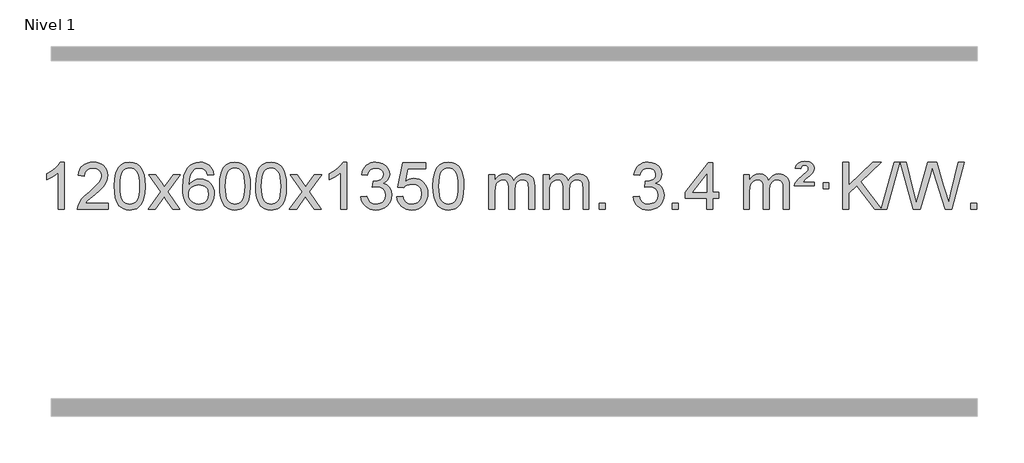
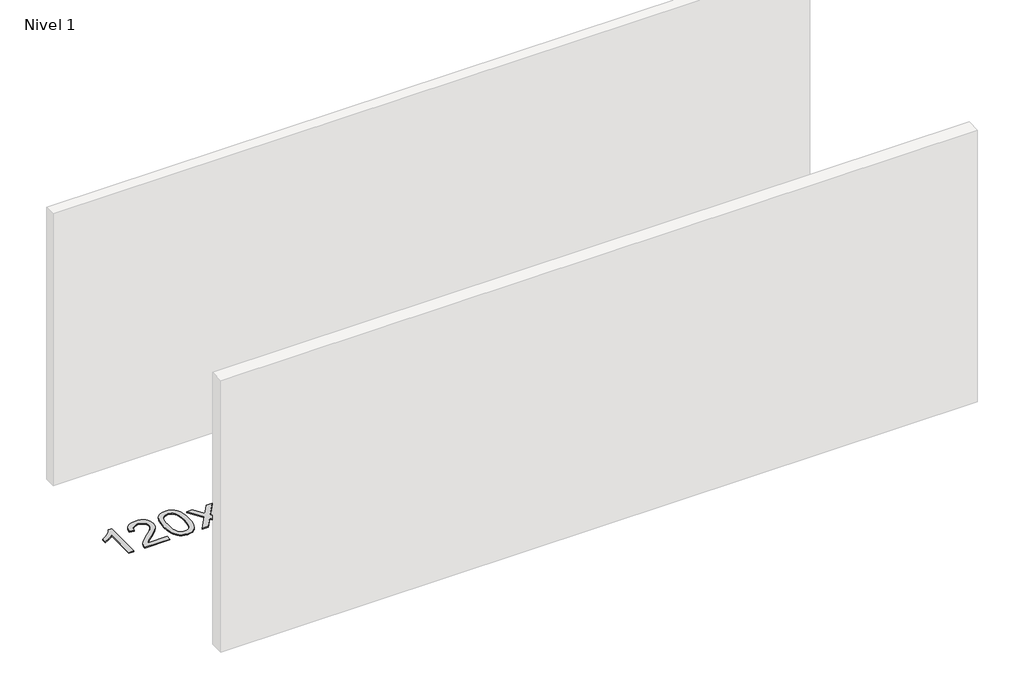
# One storey, part 3 of 9: 1 proxy.
"""IFC4 building model written with IfcOpenShell, lengths in millimetres."""

import ifcopenshell
import ifcopenshell.guid

model = None  # the IFC model being written
_history = None  # IfcOwnerHistory: only IFC2X3 demands one
_inside = {}  # id of a spatial element -> (the spatial element, [elements in it])
_under = {}  # id of a project, library or spatial element -> (it, [spatial elements below it])
_declared = {}  # id of a project -> (the project, [libraries it declares])
_typed = {}  # id of a type object -> (the type object, [elements of that type])
_made_of = {}  # id of a material, layer set ... -> (it, [elements and type objects made of it])


def new_model(schema):
    """Start an empty IFC model of exactly this schema.

    Asked for "IFC4X3", IfcOpenShell would pick the latest addendum, in which some entities
    have other attributes; the version numbers below select the first issue.
    IFC2X3 requires an IfcOwnerHistory on every rooted entity: one is made here for all.
    """
    global model, _history
    if schema == "IFC4X3":
        model = ifcopenshell.file(schema_version=(4, 3, 0, 0))
    else:
        model = ifcopenshell.file(schema=schema)
    _inside.clear()
    _under.clear()
    _declared.clear()
    _typed.clear()
    _made_of.clear()
    _history = None
    if model.schema == "IFC2X3":
        org = make("IfcOrganization", Name="unknown")
        user = make(
            "IfcPersonAndOrganization",
            ThePerson=make("IfcPerson", FamilyName="unknown"),
            TheOrganization=org,
        )
        app = make(
            "IfcApplication",
            ApplicationDeveloper=org,
            Version="unknown",
            ApplicationFullName="unknown",
            ApplicationIdentifier="unknown",
        )
        _history = make(
            "IfcOwnerHistory",
            OwningUser=user,
            OwningApplication=app,
            ChangeAction="ADDED",
            CreationDate=0,
        )
    return model


def make(cls, **values):
    """One entity of the class cls with the attributes given. An attribute that is None is left unset."""
    return model.create_entity(
        cls, **{name: value for name, value in values.items() if value is not None}
    )


def rooted(cls, **values):
    """An entity with a GlobalId (a new one), such as an element, a storey or a relation."""
    return make(cls, GlobalId=ifcopenshell.guid.new(), OwnerHistory=_history, **values)


def si_unit(unit_type, name, prefix=None):
    """IfcSIUnit, for example si_unit("LENGTHUNIT", "METRE", prefix="MILLI")."""
    return make("IfcSIUnit", UnitType=unit_type, Prefix=prefix, Name=name)


def assignment(units):
    """IfcUnitAssignment: the units of a project."""
    return None if units is None else make("IfcUnitAssignment", Units=units)


def point(xyz):
    """IfcCartesianPoint."""
    return None if xyz is None else make("IfcCartesianPoint", Coordinates=xyz)


def direction(xyz):
    """IfcDirection."""
    return None if xyz is None else make("IfcDirection", DirectionRatios=xyz)


def frame(location, z_axis=None, x_axis=None):
    """IfcAxis2Placement3D, a coordinate frame: its origin and axes. An axis left out is left unset."""
    return make(
        "IfcAxis2Placement3D",
        Location=point(location),
        Axis=direction(z_axis),
        RefDirection=direction(x_axis),
    )


def origin():
    """The frame at (0, 0, 0) with its axes left unset."""
    return frame((0.0, 0.0, 0.0))


def origin_with_axes():
    """The frame at (0, 0, 0) with the z axis (0, 0, 1) and the x axis (1, 0, 0) written out."""
    return frame((0.0, 0.0, 0.0), z_axis=(0.0, 0.0, 1.0), x_axis=(1.0, 0.0, 0.0))


def place(relative_to, where):
    """IfcLocalPlacement: puts the frame where relative to a parent placement (None: the world)."""
    return make(
        "IfcLocalPlacement", PlacementRelTo=relative_to, RelativePlacement=where
    )


def context(
    kind, dimensions, precision=None, world=None, true_north=None, identifier=None
):
    """IfcGeometricRepresentationContext, for example the 3D "Model" context."""
    return make(
        "IfcGeometricRepresentationContext",
        ContextIdentifier=identifier,
        ContextType=kind,
        CoordinateSpaceDimension=dimensions,
        Precision=precision,
        WorldCoordinateSystem=world,
        TrueNorth=true_north,
    )


def project(units=None, contexts=None):
    """IfcProject with its units and contexts."""
    return rooted(
        "IfcProject",
        Name="project",
        RepresentationContexts=contexts,
        UnitsInContext=assignment(units),
    )


def spatial(cls, under=None, at=None, **own):
    """A site, building, storey or space (cls), placed at a placement, below another one or the project."""
    s = rooted(cls, ObjectPlacement=at, **own)
    if under is not None:
        _under.setdefault(under.id(), (under, []))[1].append(s)
    return s


def polyline(points):
    """IfcPolyline through the points."""
    return make("IfcPolyline", Points=[point(p) for p in points])


def outline(outer, holes=None, kind="AREA"):
    """IfcArbitraryClosedProfileDef: a profile drawn as a closed curve; with holes, ...WithVoids."""
    if holes is None:
        return make("IfcArbitraryClosedProfileDef", ProfileType=kind, OuterCurve=outer)
    return make(
        "IfcArbitraryProfileDefWithVoids",
        ProfileType=kind,
        OuterCurve=outer,
        InnerCurves=holes,
    )


def extrude(swept, where, along, depth):
    """IfcExtrudedAreaSolid: the profile swept, set in the frame where, extruded along a direction by depth."""
    return make(
        "IfcExtrudedAreaSolid",
        SweptArea=swept,
        Position=where,
        ExtrudedDirection=direction(along),
        Depth=depth,
    )


def shape(context_of_items, identifier, shape_type, items):
    """IfcShapeRepresentation: the items that make up one representation, for example the "Body"."""
    return make(
        "IfcShapeRepresentation",
        ContextOfItems=context_of_items,
        RepresentationIdentifier=identifier,
        RepresentationType=shape_type,
        Items=items,
    )


def made_of(thing, what):
    """Note that an element or type object is made of a material, layer set ...; save() writes the relation."""
    if what is not None:
        _made_of.setdefault(what.id(), (what, []))[1].append(thing)
    return thing


def element(
    cls,
    number,
    at=None,
    inside=None,
    cuts=None,
    type_object=None,
    material=None,
    context=None,
    identifier="Body",
    shape_type=None,
    held_by="IfcProductDefinitionShape",
    body=None,
    shapes=None,
    **own,
):
    """One element of the class cls, such as IfcWall. Its Tag is "e" and its number.

    at: its placement. inside: the storey or other place that contains it. cuts: it is an
    opening in that element (IfcRelVoidsElement). A single representation is given by context,
    identifier, shape_type and body (its items); several are given by shapes. held_by: the class
    of the entity that holds the representations. save() writes the other relations.
    """
    e = rooted(cls, Tag="e%d" % number, ObjectPlacement=at, **own)
    if body is not None:
        shapes = [shape(context, identifier, shape_type, body)]
    if shapes is not None:
        e.Representation = make(held_by, Representations=shapes)
    if inside is not None:
        _inside.setdefault(inside.id(), (inside, []))[1].append(e)
    if cuts is not None:
        rooted(
            "IfcRelVoidsElement", RelatingBuildingElement=cuts, RelatedOpeningElement=e
        )
    if type_object is not None:
        _typed.setdefault(type_object.id(), (type_object, []))[1].append(e)
    return made_of(e, material)


def aggregate(whole, parts):
    """IfcRelAggregates: a whole, such as a stair, and the parts it consists of."""
    return rooted("IfcRelAggregates", RelatingObject=whole, RelatedObjects=parts)


def save(model, path):
    """Write the relations noted so far, then the file.

    IfcRelAggregates (storeys below a building ...), IfcRelContainedInSpatialStructure (elements
    in a storey), IfcRelDefinesByType, IfcRelAssociatesMaterial and IfcRelDeclares: one each for
    every whole, place, type object, material and project.
    """
    for whole, parts in _under.values():
        aggregate(whole, parts)
    for where, things in _inside.values():
        rooted(
            "IfcRelContainedInSpatialStructure",
            RelatedElements=things,
            RelatingStructure=where,
        )
    for kind, things in _typed.values():
        rooted("IfcRelDefinesByType", RelatedObjects=things, RelatingType=kind)
    for what, things in _made_of.values():
        rooted("IfcRelAssociatesMaterial", RelatedObjects=things, RelatingMaterial=what)
    for by, libraries in _declared.values():
        rooted("IfcRelDeclares", RelatingContext=by, RelatedDefinitions=libraries)
    model.write(path)


model = new_model("IFC4")

# Units and contexts
model_context = context("Model", 3, world=origin())
ifc_project = project(units=[si_unit("LENGTHUNIT", "METRE", prefix="MILLI")], contexts=[model_context])

# Site, building, storey
site = spatial("IfcSite", under=ifc_project)
building = spatial("IfcBuilding", under=site)
storey = spatial("IfcBuildingStorey", under=building, Name="Nivel 1", Elevation=0.0)

# Proxy
placement = place(None, origin())
element("IfcBuildingElementProxy", 1, Name="Texto de modelo 1", ObjectType="Texto de modelo 1", at=placement, inside=storey, context=model_context, shape_type="SweptSolid", body=[
    extrude(outline(polyline([(-6421.6378538, -15407.579453), (-6471.8660089, -15407.579453), (-6471.8660089, -15094.4382987), (-6492.8352826, -15111.3976587), (-6519.4454136, -15128.3324932), (-6572.3223191, -15153.6918254), (-6572.3223191, -15106.2105225), (-6532.8731065, -15084.7507395), (-6498.6968691, -15059.219729), (-6471.7556443, -15032.0700378), (-6454.0114694, -15005.7542124), (-6421.6378538, -15005.7542124), (-6421.6378538, -15407.579453)])), origin_with_axes(), (0.0, 0.0, 1.0), 10.0),
    extrude(outline(polyline([(-6044.9266908, -15357.3512979), (-6044.9266908, -15407.579453), (-6308.6245049, -15407.579453), (-6307.5208589, -15389.8965918), (-6303.2289023, -15372.9494945), (-6290.8312791, -15345.8856424), (-6272.6701713, -15319.6311307), (-6246.4156595, -15292.1503456), (-6209.7378246, -15261.4076736), (-6155.5488067, -15213.2641831), (-6123.0648266, -15177.7267824), (-6106.8412306, -15148.884834), (-6101.4333652, -15120.8277005), (-6106.546925, -15095.6768347), (-6121.8876042, -15074.7688747), (-6145.4688401, -15060.6789943), (-6175.3040699, -15055.9823675), (-6206.6353531, -15060.5686297), (-6230.9768785, -15074.3274163), (-6246.6854397, -15096.1796068), (-6252.1178305, -15125.0460807), (-6302.3459855, -15118.7675613), (-6298.0264378, -15092.838012), (-6290.1690915, -15070.1826125), (-6278.7739467, -15050.8013627), (-6263.8410034, -15034.6942627), (-6245.7136181, -15022.0329907), (-6224.7351473, -15012.989225), (-6200.9055911, -15007.5629655), (-6174.2249494, -15005.7542124), (-6147.3051844, -15007.7653006), (-6123.3468694, -15013.7985654), (-6102.3500046, -15023.8540066), (-6084.3145897, -15037.9316242), (-6069.8292362, -15054.9890861), (-6059.4825551, -15073.9840598), (-6053.2745464, -15094.9165453), (-6051.2052102, -15117.7865427), (-6053.4370276, -15141.8092369), (-6060.1324799, -15165.4149983), (-6072.0150684, -15189.4254299), (-6089.8082942, -15214.6621347), (-6118.171996, -15244.7916701), (-6161.7660125, -15283.4805933), (-6219.5480112, -15331.795762), (-6242.2095421, -15357.3512979), (-6044.9266908, -15357.3512979)])), origin_with_axes(), (0.0, 0.0, 1.0), 10.0),
    extrude(outline(polyline([(-5994.6985357, -15209.9041943), (-5991.007453, -15145.5861588), (-5979.934205, -15094.2911459), (-5961.5891561, -15055.2343407), (-5949.7310932, -15040.0009605), (-5936.0826711, -15027.6309284), (-5920.5979048, -15018.0598651), (-5903.230809, -15011.2233914), (-5862.8496286, -15005.7542124), (-5831.8984901, -15008.991574), (-5804.1847131, -15018.7036586), (-5781.0081474, -15034.5103217), (-5763.6686427, -15056.0314184), (-5750.5720437, -15083.0830078), (-5740.1241951, -15115.4811488), (-5733.2815899, -15156.6226186), (-5731.0007216, -15209.9041943), (-5734.6550161, -15273.8543477), (-5745.6178995, -15325.0267333), (-5763.8525837, -15364.1203266), (-5775.6830556, -15379.3996922), (-5789.3222805, -15391.8341036), (-5804.825441, -15401.4695462), (-5822.2477191, -15408.3520052), (-5862.8496286, -15413.8579724), (-5890.5143547, -15411.4667394), (-5915.039821, -15404.2930405), (-5936.4260277, -15392.3368757), (-5954.6729746, -15375.5982449), (-5972.1841576, -15345.3399508), (-5984.6921454, -15307.6381776), (-5992.1969381, -15262.4929255), (-5994.6985357, -15209.9041943)]), holes=[polyline([(-5944.4703806, -15209.8060924), (-5942.9988527, -15253.4706195), (-5938.5842687, -15288.8148822), (-5931.2266288, -15315.8388804), (-5920.9259329, -15334.5426142), (-5908.466996, -15347.2682656), (-5894.634633, -15356.3580165), (-5879.4288439, -15361.8118671), (-5862.8496286, -15363.6298173), (-5846.2704134, -15361.8057357), (-5831.0646243, -15356.3334911), (-5817.2322612, -15347.2130833), (-5804.7733243, -15334.4445124), (-5794.4726285, -15315.7101217), (-5787.1149886, -15288.6922549), (-5782.7004046, -15253.3909118), (-5781.2288766, -15209.8060924), (-5782.6513537, -15167.2973278), (-5786.9187848, -15132.5753989), (-5794.0311701, -15105.6403055), (-5803.9885094, -15086.4920476), (-5816.2389799, -15073.1440625), (-5830.2307584, -15063.6097875), (-5845.9638451, -15057.8892225), (-5863.4382398, -15055.9823675), (-5879.931616, -15057.6623619), (-5894.8798877, -15062.7023452), (-5908.283055, -15071.1023175), (-5920.141118, -15082.8622786), (-5930.7851704, -15103.708925), (-5938.388065, -15131.8151094), (-5942.9498017, -15167.1808319), (-5944.4703806, -15209.8060924)])]), origin_with_axes(), (0.0, 0.0, 1.0), 10.0),
    extrude(outline(polyline([(-5705.886644, -15407.579453), (-5598.5632033, -15259.1513307), (-5699.6081246, -15112.4890419), (-5639.3735793, -15112.4890419), (-5590.6169522, -15183.2204869), (-5567.7592176, -15216.4770192), (-5547.9426408, -15189.2047007), (-5492.416985, -15112.4890419), (-5431.9862359, -15112.4890419), (-5538.1324542, -15259.2494325), (-5435.9103105, -15407.579453), (-5496.2429577, -15407.579453), (-5557.8509292, -15318.3067555), (-5569.0345418, -15301.923744), (-5645.455895, -15407.579453), (-5705.886644, -15407.579453)])), origin_with_axes(), (0.0, 0.0, 1.0), 10.0),
    extrude(outline(polyline([(-5147.0984188, -15112.4890419), (-5197.3265739, -15118.7675613), (-5205.4199778, -15093.874213), (-5216.3583358, -15076.8780648), (-5239.142494, -15061.2062918), (-5266.6845927, -15055.9823675), (-5290.0328367, -15059.0235253), (-5312.0076545, -15068.1469988), (-5330.8800009, -15087.3627017), (-5346.2942565, -15113.8134171), (-5356.7053169, -15151.227016), (-5360.5680779, -15203.3313693), (-5340.4204073, -15179.8237098), (-5316.2750857, -15163.2567573), (-5289.4810137, -15153.434308), (-5261.387092, -15150.1601582), (-5237.2540331, -15152.398107), (-5214.9849097, -15159.1119534), (-5194.5797217, -15170.3016975), (-5176.0384691, -15185.9673391), (-5160.6303449, -15205.1769106), (-5149.6245419, -15226.9984443), (-5143.02106, -15251.4319401), (-5140.8198994, -15278.4773982), (-5144.9647033, -15314.4439945), (-5157.3991147, -15347.786366), (-5177.0930642, -15376.0642287), (-5203.0164821, -15396.8372987), (-5233.9921461, -15409.602804), (-5268.8428338, -15413.8579724), (-5298.7853625, -15411.0375437), (-5325.8277548, -15402.5762579), (-5349.9700107, -15388.4741147), (-5371.2121303, -15368.7311143), (-5388.5301752, -15342.5133908), (-5400.9002073, -15308.9870783), (-5408.3222266, -15268.1521768), (-5410.796233, -15220.0086864), (-5408.0493807, -15166.0342663), (-5399.808824, -15119.9693092), (-5386.0745629, -15081.8138149), (-5366.8465973, -15051.5677835), (-5346.0060823, -15031.5243462), (-5321.8423665, -15017.2076052), (-5294.3554501, -15008.6175606), (-5263.545333, -15005.7542124), (-5240.4116869, -15007.5261773), (-5219.47307, -15012.8420722), (-5200.7294824, -15021.7018969), (-5184.1809239, -15034.1056515), (-5170.2749845, -15049.6364031), (-5159.4592539, -15067.8772186), (-5151.733732, -15088.8280983), (-5147.0984188, -15112.4890419)]), holes=[polyline([(-5360.5680779, -15277.6925832), (-5357.6618101, -15299.9494439), (-5348.9430068, -15321.2007605), (-5335.4049494, -15339.472233), (-5318.0409193, -15352.7895612), (-5297.0839083, -15360.9197533), (-5272.7669084, -15363.6298173), (-5239.6207406, -15358.0134855), (-5225.7056041, -15350.9930708), (-5213.5624326, -15341.1644901), (-5203.7123922, -15328.9262824), (-5196.676649, -15314.6769865), (-5191.0480545, -15280.1451299), (-5196.6030726, -15246.9989621), (-5203.5468453, -15233.3781312), (-5213.268127, -15221.725469), (-5225.4480867, -15212.3904634), (-5239.7678934, -15205.7226022), (-5274.8270476, -15200.3883133), (-5307.9241644, -15205.7226022), (-5335.6011532, -15221.725469), (-5346.5241827, -15233.2248471), (-5354.3263467, -15246.3858254), (-5359.0076451, -15261.2084042), (-5360.5680779, -15277.6925832)])]), origin_with_axes(), (0.0, 0.0, 1.0), 10.0),
    extrude(outline(polyline([(-5096.8702638, -15209.9041943), (-5093.1791811, -15145.5861588), (-5082.105933, -15094.2911459), (-5063.7608842, -15055.2343407), (-5051.9028212, -15040.0009605), (-5038.2543992, -15027.6309284), (-5022.7696329, -15018.0598651), (-5005.402537, -15011.2233914), (-4965.0213567, -15005.7542124), (-4934.0702182, -15008.991574), (-4906.3564412, -15018.7036586), (-4883.1798755, -15034.5103217), (-4865.8403708, -15056.0314184), (-4852.7437718, -15083.0830078), (-4842.2959231, -15115.4811488), (-4835.453318, -15156.6226186), (-4833.1724496, -15209.9041943), (-4836.8267441, -15273.8543477), (-4847.7896275, -15325.0267333), (-4866.0243118, -15364.1203266), (-4877.8547836, -15379.3996922), (-4891.4940086, -15391.8341036), (-4906.997169, -15401.4695462), (-4924.4194471, -15408.3520052), (-4965.0213567, -15413.8579724), (-4992.6860827, -15411.4667394), (-5017.2115491, -15404.2930405), (-5038.5977557, -15392.3368757), (-5056.8447027, -15375.5982449), (-5074.3558856, -15345.3399508), (-5086.8638735, -15307.6381776), (-5094.3686662, -15262.4929255), (-5096.8702638, -15209.9041943)]), holes=[polyline([(-5046.6421087, -15209.8060924), (-5045.1705807, -15253.4706195), (-5040.7559968, -15288.8148822), (-5033.3983568, -15315.8388804), (-5023.097661, -15334.5426142), (-5010.6387241, -15347.2682656), (-4996.8063611, -15356.3580165), (-4981.6005719, -15361.8118671), (-4965.0213567, -15363.6298173), (-4948.4421414, -15361.8057357), (-4933.2363523, -15356.3334911), (-4919.4039893, -15347.2130833), (-4906.9450524, -15334.4445124), (-4896.6443565, -15315.7101217), (-4889.2867166, -15288.6922549), (-4884.8721327, -15253.3909118), (-4883.4006047, -15209.8060924), (-4884.8230817, -15167.2973278), (-4889.0905129, -15132.5753989), (-4896.2028981, -15105.6403055), (-4906.1602375, -15086.4920476), (-4918.4107079, -15073.1440625), (-4932.4024864, -15063.6097875), (-4948.1355731, -15057.8892225), (-4965.6099679, -15055.9823675), (-4982.103344, -15057.6623619), (-4997.0516157, -15062.7023452), (-5010.4547831, -15071.1023175), (-5022.3128461, -15082.8622786), (-5032.9568985, -15103.708925), (-5040.559793, -15131.8151094), (-5045.1215298, -15167.1808319), (-5046.6421087, -15209.8060924)])]), origin_with_axes(), (0.0, 0.0, 1.0), 10.0),
    extrude(outline(polyline([(-4789.2228139, -15209.9041943), (-4785.5317312, -15145.5861588), (-4774.4584832, -15094.2911459), (-4756.1134344, -15055.2343407), (-4744.2553714, -15040.0009605), (-4730.6069494, -15027.6309284), (-4715.122183, -15018.0598651), (-4697.7550872, -15011.2233914), (-4657.3739068, -15005.7542124), (-4626.4227683, -15008.991574), (-4598.7089913, -15018.7036586), (-4575.5324257, -15034.5103217), (-4558.1929209, -15056.0314184), (-4545.0963219, -15083.0830078), (-4534.6484733, -15115.4811488), (-4527.8058681, -15156.6226186), (-4525.5249998, -15209.9041943), (-4529.1792943, -15273.8543477), (-4540.1421777, -15325.0267333), (-4558.3768619, -15364.1203266), (-4570.2073338, -15379.3996922), (-4583.8465587, -15391.8341036), (-4599.3497192, -15401.4695462), (-4616.7719973, -15408.3520052), (-4657.3739068, -15413.8579724), (-4685.0386329, -15411.4667394), (-4709.5640992, -15404.2930405), (-4730.9503059, -15392.3368757), (-4749.1972528, -15375.5982449), (-4766.7084358, -15345.3399508), (-4779.2164236, -15307.6381776), (-4786.7212164, -15262.4929255), (-4789.2228139, -15209.9041943)]), holes=[polyline([(-4738.9946588, -15209.8060924), (-4737.5231309, -15253.4706195), (-4733.1085469, -15288.8148822), (-4725.750907, -15315.8388804), (-4715.4502112, -15334.5426142), (-4702.9912742, -15347.2682656), (-4689.1589112, -15356.3580165), (-4673.9531221, -15361.8118671), (-4657.3739068, -15363.6298173), (-4640.7946916, -15361.8057357), (-4625.5889025, -15356.3334911), (-4611.7565394, -15347.2130833), (-4599.2976025, -15334.4445124), (-4588.9969067, -15315.7101217), (-4581.6392668, -15288.6922549), (-4577.2246828, -15253.3909118), (-4575.7531548, -15209.8060924), (-4577.1756319, -15167.2973278), (-4581.443063, -15132.5753989), (-4588.5554483, -15105.6403055), (-4598.5127876, -15086.4920476), (-4610.7632581, -15073.1440625), (-4624.7550366, -15063.6097875), (-4640.4881233, -15057.8892225), (-4657.962518, -15055.9823675), (-4674.4558942, -15057.6623619), (-4689.4041659, -15062.7023452), (-4702.8073333, -15071.1023175), (-4714.6653962, -15082.8622786), (-4725.3094486, -15103.708925), (-4732.9123432, -15131.8151094), (-4737.4740799, -15167.1808319), (-4738.9946588, -15209.8060924)])]), origin_with_axes(), (0.0, 0.0, 1.0), 10.0),
    extrude(outline(polyline([(-4500.4109222, -15407.579453), (-4393.0874815, -15259.1513307), (-4494.1324029, -15112.4890419), (-4433.8978575, -15112.4890419), (-4385.1412304, -15183.2204869), (-4362.2834958, -15216.4770192), (-4342.466919, -15189.2047007), (-4286.9412632, -15112.4890419), (-4226.5105141, -15112.4890419), (-4332.6567324, -15259.2494325), (-4230.4345887, -15407.579453), (-4290.7672359, -15407.579453), (-4352.3752074, -15318.3067555), (-4363.55882, -15301.923744), (-4439.9801732, -15407.579453), (-4500.4109222, -15407.579453)])), origin_with_axes(), (0.0, 0.0, 1.0), 10.0),
    extrude(outline(polyline([(-4010.6864103, -15407.579453), (-4060.9145653, -15407.579453), (-4060.9145653, -15094.4382987), (-4081.8838391, -15111.3976587), (-4108.49397, -15128.3324932), (-4161.3708755, -15153.6918254), (-4161.3708755, -15106.2105225), (-4121.9216629, -15084.7507395), (-4087.7454255, -15059.219729), (-4060.8042007, -15032.0700378), (-4043.0600258, -15005.7542124), (-4010.6864103, -15005.7542124), (-4010.6864103, -15407.579453)])), origin_with_axes(), (0.0, 0.0, 1.0), 10.0),
    extrude(outline(polyline([(-3891.394542, -15300.8446235), (-3841.1663869, -15294.5661041), (-3829.9214606, -15326.1303793), (-3813.4526099, -15347.4430095), (-3790.9504945, -15359.5831154), (-3761.6057741, -15363.6298173), (-3727.1720193, -15358.0625364), (-3712.8981979, -15351.1034354), (-3700.5864138, -15341.3606939), (-3683.5902656, -15316.4428201), (-3677.9248829, -15286.2274455), (-3683.5412147, -15257.5449126), (-3700.3902101, -15234.2825078), (-3725.8966951, -15218.8682522), (-3757.4854957, -15213.730167), (-3792.7040654, -15219.2238715), (-3787.1122591, -15168.9957164), (-3779.0679061, -15169.5843276), (-3748.9751589, -15165.979084), (-3722.0707223, -15155.1633534), (-3710.9974743, -15146.9841103), (-3703.0880114, -15136.8673555), (-3698.3423336, -15124.8130888), (-3696.760441, -15110.8213102), (-3701.3467032, -15089.1285352), (-3715.1054899, -15071.5315131), (-3736.0992891, -15059.8696539), (-3762.390589, -15055.9823675), (-3788.7309398, -15059.9064421), (-3810.2642993, -15071.6786659), (-3825.9851232, -15091.299039), (-3834.8878675, -15118.7675613), (-3885.1160226, -15112.4890419), (-3879.1624656, -15088.5092672), (-3870.3271664, -15067.3867093), (-3858.6101248, -15049.1213683), (-3844.011341, -15033.713244), (-3826.9906673, -15021.4811677), (-3808.0079564, -15012.7439703), (-3787.0632081, -15007.5016519), (-3764.1564226, -15005.7542124), (-3732.5798846, -15009.2000404), (-3703.5785207, -15019.5375245), (-3679.1266307, -15035.8469596), (-3661.1985148, -15057.2086408), (-3650.1988432, -15081.8199463), (-3646.532286, -15107.8782543), (-3650.0149022, -15132.1584659), (-3660.4627509, -15154.1823347), (-3677.7286792, -15172.9443165), (-3701.6655343, -15187.4388671), (-3670.2238865, -15200.1430586), (-3646.9246934, -15221.77452), (-3632.5037192, -15251.1560286), (-3627.6967278, -15287.1103623), (-3630.1002235, -15312.5923218), (-3637.3107106, -15336.0631931), (-3649.3281891, -15357.5229762), (-3666.152659, -15376.971671), (-3686.6498175, -15393.1094278), (-3709.6853618, -15404.636397), (-3735.2592918, -15411.5525785), (-3763.3716076, -15413.8579724), (-3788.7799908, -15411.8898037), (-3811.932031, -15405.9852977), (-3832.8277283, -15396.1444543), (-3851.4670827, -15382.3672736), (-3867.0959362, -15365.4630959), (-3878.9601305, -15346.2412617), (-3887.0596658, -15324.7017708), (-3891.394542, -15300.8446235)])), origin_with_axes(), (0.0, 0.0, 1.0), 10.0),
    extrude(outline(polyline([(-3583.7470921, -15300.8446235), (-3533.518937, -15294.5661041), (-3524.2973617, -15324.7201649), (-3508.2086558, -15346.3148381), (-3485.3263957, -15359.3010725), (-3455.7241578, -15363.6298173), (-3436.5942941, -15362.1245668), (-3419.7207732, -15357.6088153), (-3405.1035953, -15350.0825628), (-3392.7427602, -15339.5458094), (-3382.9141796, -15326.519721), (-3375.8937648, -15311.5254641), (-3370.2774331, -15275.6324441), (-3375.5381456, -15241.8363514), (-3382.1140362, -15227.9181493), (-3391.3202832, -15215.9865099), (-3403.1875432, -15206.4154467), (-3417.7464732, -15199.5789729), (-3454.9393429, -15194.1097939), (-3479.3053937, -15196.2925604), (-3499.0361314, -15202.8408599), (-3514.7937435, -15212.8717757), (-3527.2404177, -15225.5023908), (-3577.4685727, -15219.2238715), (-3533.518937, -15012.0327318), (-3338.8848361, -15012.0327318), (-3338.8848361, -15062.2608869), (-3492.9047648, -15062.2608869), (-3514.4871752, -15172.919791), (-3496.7613944, -15160.2155994), (-3478.6064179, -15151.1411769), (-3460.0222458, -15145.6965234), (-3441.008878, -15143.8816388), (-3416.5447253, -15146.1318504), (-3394.0671354, -15152.882485), (-3373.5761083, -15164.1335427), (-3355.0716439, -15179.8850234), (-3339.7493588, -15199.1743027), (-3328.8048695, -15221.038756), (-3322.2381759, -15245.4783832), (-3320.049278, -15272.4931844), (-3322.0174467, -15298.5147042), (-3327.9219527, -15322.7213394), (-3337.762796, -15345.1130902), (-3351.5399768, -15365.6899565), (-3372.4111486, -15386.7634634), (-3396.7649367, -15401.8159684), (-3424.601341, -15410.8474714), (-3455.9203615, -15413.8579724), (-3481.8407138, -15411.9235262), (-3505.2533371, -15406.1201877), (-3526.1582315, -15396.447957), (-3544.5553969, -15382.9068338), (-3559.8623536, -15366.1712688), (-3571.4966217, -15346.915712), (-3579.4582012, -15325.1401636), (-3583.7470921, -15300.8446235)])), origin_with_axes(), (0.0, 0.0, 1.0), 10.0),
    extrude(outline(polyline([(-3276.0996423, -15209.9041943), (-3272.4085596, -15145.5861588), (-3261.3353115, -15094.2911459), (-3242.9902627, -15055.2343407), (-3231.1321997, -15040.0009605), (-3217.4837777, -15027.6309284), (-3201.9990114, -15018.0598651), (-3184.6319156, -15011.2233914), (-3144.2507352, -15005.7542124), (-3113.2995967, -15008.991574), (-3085.5858197, -15018.7036586), (-3062.409254, -15034.5103217), (-3045.0697493, -15056.0314184), (-3031.9731503, -15083.0830078), (-3021.5253016, -15115.4811488), (-3014.6826965, -15156.6226186), (-3012.4018281, -15209.9041943), (-3016.0561226, -15273.8543477), (-3027.0190061, -15325.0267333), (-3045.2536903, -15364.1203266), (-3057.0841621, -15379.3996922), (-3070.7233871, -15391.8341036), (-3086.2265475, -15401.4695462), (-3103.6488257, -15408.3520052), (-3144.2507352, -15413.8579724), (-3171.9154613, -15411.4667394), (-3196.4409276, -15404.2930405), (-3217.8271343, -15392.3368757), (-3236.0740812, -15375.5982449), (-3253.5852642, -15345.3399508), (-3266.093252, -15307.6381776), (-3273.5980447, -15262.4929255), (-3276.0996423, -15209.9041943)]), holes=[polyline([(-3225.8714872, -15209.8060924), (-3224.3999592, -15253.4706195), (-3219.9853753, -15288.8148822), (-3212.6277354, -15315.8388804), (-3202.3270395, -15334.5426142), (-3189.8681026, -15347.2682656), (-3176.0357396, -15356.3580165), (-3160.8299505, -15361.8118671), (-3144.2507352, -15363.6298173), (-3127.67152, -15361.8057357), (-3112.4657308, -15356.3334911), (-3098.6333678, -15347.2130833), (-3086.1744309, -15334.4445124), (-3075.873735, -15315.7101217), (-3068.5160951, -15288.6922549), (-3064.1015112, -15253.3909118), (-3062.6299832, -15209.8060924), (-3064.0524603, -15167.2973278), (-3068.3198914, -15132.5753989), (-3075.4322767, -15105.6403055), (-3085.389616, -15086.4920476), (-3097.6400864, -15073.1440625), (-3111.631865, -15063.6097875), (-3127.3649516, -15057.8892225), (-3144.8393464, -15055.9823675), (-3161.3327225, -15057.6623619), (-3176.2809943, -15062.7023452), (-3189.6841616, -15071.1023175), (-3201.5422246, -15082.8622786), (-3212.186277, -15103.708925), (-3219.7891716, -15131.8151094), (-3224.3509083, -15167.1808319), (-3225.8714872, -15209.8060924)])]), origin_with_axes(), (0.0, 0.0, 1.0), 10.0),
    extrude(outline(polyline([(-2798.9321691, -15407.579453), (-2798.9321691, -15112.4890419), (-2748.704014, -15112.4890419), (-2748.704014, -15161.0494653), (-2733.5963267, -15138.7435537), (-2714.1721574, -15121.2691589), (-2691.0936936, -15109.9751816), (-2665.0231228, -15106.2105225), (-2637.0886167, -15110.048758), (-2614.6968659, -15121.5634645), (-2597.9704978, -15139.9943524), (-2587.0321399, -15164.5811324), (-2568.7238792, -15139.0439906), (-2547.8404446, -15120.803175), (-2524.3818361, -15109.8586857), (-2498.3480536, -15106.2105225), (-2478.2402368, -15107.7280358), (-2460.5910981, -15112.2805755), (-2445.4006374, -15119.8681416), (-2432.6688547, -15130.4907342), (-2422.6042164, -15144.2709806), (-2415.4151891, -15161.3315082), (-2411.1017727, -15181.6723168), (-2409.6639672, -15205.2934066), (-2409.6639672, -15407.579453), (-2459.8921223, -15407.579453), (-2459.8921223, -15226.875817), (-2461.057082, -15201.8230531), (-2464.5519609, -15184.9372695), (-2471.1002604, -15173.3735121), (-2481.4254818, -15164.2868268), (-2494.7060218, -15158.4007149), (-2510.1202774, -15156.4386776), (-2537.3312823, -15161.4663982), (-2559.5145666, -15176.54956), (-2568.1199396, -15188.1194488), (-2574.2666346, -15202.7182326), (-2579.1839906, -15241.0024856), (-2579.1839906, -15407.579453), (-2629.4121457, -15407.579453), (-2629.4121457, -15221.2840106), (-2632.3184135, -15192.8835206), (-2641.0372167, -15172.6254854), (-2656.3778959, -15160.4853796), (-2679.1497914, -15156.4386776), (-2698.5003844, -15159.1364789), (-2716.3303984, -15167.2298828), (-2731.0456782, -15180.5226856), (-2741.0520685, -15198.8186835), (-2746.7910276, -15224.2025411), (-2748.704014, -15258.7589232), (-2748.704014, -15407.579453), (-2798.9321691, -15407.579453)])), origin_with_axes(), (0.0, 0.0, 1.0), 10.0),
    extrude(outline(polyline([(-2334.3217346, -15407.579453), (-2334.3217346, -15112.4890419), (-2284.0935796, -15112.4890419), (-2284.0935796, -15161.0494653), (-2268.9858923, -15138.7435537), (-2249.5617229, -15121.2691589), (-2226.4832591, -15109.9751816), (-2200.4126884, -15106.2105225), (-2172.4781822, -15110.048758), (-2150.0864315, -15121.5634645), (-2133.3600634, -15139.9943524), (-2122.4217054, -15164.5811324), (-2104.1134448, -15139.0439906), (-2083.2300102, -15120.803175), (-2059.7714016, -15109.8586857), (-2033.7376191, -15106.2105225), (-2013.6298024, -15107.7280358), (-1995.9806637, -15112.2805755), (-1980.790203, -15119.8681416), (-1968.0584202, -15130.4907342), (-1957.993782, -15144.2709806), (-1950.8047547, -15161.3315082), (-1946.4913383, -15181.6723168), (-1945.0535328, -15205.2934066), (-1945.0535328, -15407.579453), (-1995.2816879, -15407.579453), (-1995.2816879, -15226.875817), (-1996.4466475, -15201.8230531), (-1999.9415265, -15184.9372695), (-2006.489826, -15173.3735121), (-2016.8150473, -15164.2868268), (-2030.0955874, -15158.4007149), (-2045.509843, -15156.4386776), (-2072.7208479, -15161.4663982), (-2094.9041322, -15176.54956), (-2103.5095052, -15188.1194488), (-2109.6562002, -15202.7182326), (-2114.5735562, -15241.0024856), (-2114.5735562, -15407.579453), (-2164.8017113, -15407.579453), (-2164.8017113, -15221.2840106), (-2167.707979, -15192.8835206), (-2176.4267823, -15172.6254854), (-2191.7674615, -15160.4853796), (-2214.539357, -15156.4386776), (-2233.88995, -15159.1364789), (-2251.719964, -15167.2298828), (-2266.4352438, -15180.5226856), (-2276.4416341, -15198.8186835), (-2282.1805932, -15224.2025411), (-2284.0935796, -15258.7589232), (-2284.0935796, -15407.579453), (-2334.3217346, -15407.579453)])), origin_with_axes(), (0.0, 0.0, 1.0), 10.0),
    extrude(outline(polyline([(-1857.1542614, -15407.579453), (-1857.1542614, -15357.3512979), (-1806.9261064, -15357.3512979), (-1806.9261064, -15407.579453), (-1857.1542614, -15407.579453)])), origin_with_axes(), (0.0, 0.0, 1.0), 10.0),
    extrude(outline(polyline([(-1568.3423697, -15300.8446235), (-1518.1142147, -15294.5661041), (-1506.8692884, -15326.1303793), (-1490.4004377, -15347.4430095), (-1467.8983223, -15359.5831154), (-1438.5536018, -15363.6298173), (-1404.1198471, -15358.0625364), (-1389.8460257, -15351.1034354), (-1377.5342416, -15341.3606939), (-1360.5380934, -15316.4428201), (-1354.8727107, -15286.2274455), (-1360.4890425, -15257.5449126), (-1377.3380379, -15234.2825078), (-1402.8445228, -15218.8682522), (-1434.4333235, -15213.730167), (-1469.6518932, -15219.2238715), (-1464.0600868, -15168.9957164), (-1456.0157339, -15169.5843276), (-1425.9229867, -15165.979084), (-1399.0185501, -15155.1633534), (-1387.945302, -15146.9841103), (-1380.0358391, -15136.8673555), (-1375.2901614, -15124.8130888), (-1373.7082688, -15110.8213102), (-1378.294531, -15089.1285352), (-1392.0533177, -15071.5315131), (-1413.0471168, -15059.8696539), (-1439.3384168, -15055.9823675), (-1465.6787676, -15059.9064421), (-1487.2121271, -15071.6786659), (-1502.932951, -15091.299039), (-1511.8356953, -15118.7675613), (-1562.0638504, -15112.4890419), (-1556.1102934, -15088.5092672), (-1547.2749942, -15067.3867093), (-1535.5579526, -15049.1213683), (-1520.9591688, -15033.713244), (-1503.9384951, -15021.4811677), (-1484.9557842, -15012.7439703), (-1464.0110359, -15007.5016519), (-1441.1042503, -15005.7542124), (-1409.5277124, -15009.2000404), (-1380.5263485, -15019.5375245), (-1356.0744585, -15035.8469596), (-1338.1463426, -15057.2086408), (-1327.146671, -15081.8199463), (-1323.4801138, -15107.8782543), (-1326.96273, -15132.1584659), (-1337.4105786, -15154.1823347), (-1354.6765069, -15172.9443165), (-1378.6133621, -15187.4388671), (-1347.1717142, -15200.1430586), (-1323.8725212, -15221.77452), (-1309.451547, -15251.1560286), (-1304.6445556, -15287.1103623), (-1307.0480513, -15312.5923218), (-1314.2585384, -15336.0631931), (-1326.2760169, -15357.5229762), (-1343.1004868, -15376.971671), (-1363.5976453, -15393.1094278), (-1386.6331896, -15404.636397), (-1412.2071196, -15411.5525785), (-1440.3194354, -15413.8579724), (-1465.7278186, -15411.8898037), (-1488.8798588, -15405.9852977), (-1509.7755561, -15396.1444543), (-1528.4149105, -15382.3672736), (-1544.043764, -15365.4630959), (-1555.9079583, -15346.2412617), (-1564.0074936, -15324.7017708), (-1568.3423697, -15300.8446235)])), origin_with_axes(), (0.0, 0.0, 1.0), 10.0),
    extrude(outline(polyline([(-1235.5808424, -15407.579453), (-1235.5808424, -15357.3512979), (-1185.3526873, -15357.3512979), (-1185.3526873, -15407.579453), (-1235.5808424, -15407.579453)])), origin_with_axes(), (0.0, 0.0, 1.0), 10.0),
    extrude(outline(polyline([(-940.4904313, -15407.579453), (-940.4904313, -15313.4016622), (-1122.5674935, -15313.4016622), (-1122.5674935, -15263.1735072), (-927.9333925, -15012.0327318), (-890.2622762, -15012.0327318), (-890.2622762, -15263.1735072), (-840.0341212, -15263.1735072), (-840.0341212, -15313.4016622), (-890.2622762, -15313.4016622), (-890.2622762, -15407.579453), (-940.4904313, -15407.579453)]), holes=[polyline([(-940.4904313, -15263.1735072), (-940.4904313, -15107.9763561), (-1060.7633183, -15263.1735072), (-940.4904313, -15263.1735072)])]), origin_with_axes(), (0.0, 0.0, 1.0), 10.0),
    extrude(outline(polyline([(-626.5644621, -15407.579453), (-626.5644621, -15112.4890419), (-576.336307, -15112.4890419), (-576.336307, -15161.0494653), (-561.2286197, -15138.7435537), (-541.8044504, -15121.2691589), (-518.7259866, -15109.9751816), (-492.6554158, -15106.2105225), (-464.7209097, -15110.048758), (-442.3291589, -15121.5634645), (-425.6027909, -15139.9943524), (-414.6644329, -15164.5811324), (-396.3561722, -15139.0439906), (-375.4727377, -15120.803175), (-352.0141291, -15109.8586857), (-325.9803466, -15106.2105225), (-305.8725298, -15107.7280358), (-288.2233911, -15112.2805755), (-273.0329304, -15119.8681416), (-260.3011477, -15130.4907342), (-250.2365094, -15144.2709806), (-243.0474821, -15161.3315082), (-238.7340657, -15181.6723168), (-237.2962603, -15205.2934066), (-237.2962603, -15407.579453), (-287.5244153, -15407.579453), (-287.5244153, -15226.875817), (-288.689375, -15201.8230531), (-292.1842539, -15184.9372695), (-298.7325535, -15173.3735121), (-309.0577748, -15164.2868268), (-322.3383148, -15158.4007149), (-337.7525704, -15156.4386776), (-364.9635753, -15161.4663982), (-387.1468596, -15176.54956), (-395.7522326, -15188.1194488), (-401.8989276, -15202.7182326), (-406.8162836, -15241.0024856), (-406.8162836, -15407.579453), (-457.0444387, -15407.579453), (-457.0444387, -15221.2840106), (-459.9507065, -15192.8835206), (-468.6695098, -15172.6254854), (-484.010189, -15160.4853796), (-506.7820845, -15156.4386776), (-526.1326774, -15159.1364789), (-543.9626914, -15167.2298828), (-558.6779713, -15180.5226856), (-568.6843615, -15198.8186835), (-574.4233206, -15224.2025411), (-576.336307, -15258.7589232), (-576.336307, -15407.579453), (-626.5644621, -15407.579453)])), origin_with_axes(), (0.0, 0.0, 1.0), 10.0),
    extrude(outline(polyline([(-193.3466246, -15206.6668327), (-189.5206518, -15190.8479069), (-181.1819933, -15174.9799302), (-159.6731593, -15149.8413272), (-127.7164766, -15122.1030247), (-83.5706372, -15084.726214), (-76.4337265, -15073.1992448), (-74.0547563, -15061.3779701), (-75.9432172, -15049.2869152), (-81.6085999, -15039.5012541), (-90.977328, -15033.026531), (-103.9758252, -15030.8682899), (-116.4102366, -15032.4869707), (-125.26393, -15037.343013), (-131.6896022, -15046.8098431), (-136.8399501, -15062.2608869), (-187.0681052, -15055.9823675), (-176.2278491, -15030.7701881), (-159.5995829, -15013.2099542), (-135.834406, -15002.9092583), (-103.5834178, -14999.475693), (-67.8007624, -15003.6082341), (-43.0545668, -15016.0058573), (-28.6335926, -15034.3386434), (-23.8266012, -15056.2766731), (-27.9223541, -15079.1834586), (-40.2096127, -15100.8149199), (-60.737428, -15120.6314968), (-97.2067965, -15148.6886303), (-122.8113834, -15175.2742358), (-23.8266012, -15175.2742358), (-23.8266012, -15206.6668327), (-193.3466246, -15206.6668327)])), origin_with_axes(), (0.0, 0.0, 1.0), 10.0),
    extrude(outline(polyline([(51.5156314, -15231.7809102), (51.5156314, -15181.5527552), (101.7437865, -15181.5527552), (101.7437865, -15231.7809102), (51.5156314, -15231.7809102)])), origin_with_axes(), (0.0, 0.0, 1.0), 10.0),
    extrude(outline(polyline([(492.3854144, -15407.579453), (338.8559951, -15204.9009991), (271.2638099, -15269.4520265), (271.2638099, -15407.579453), (221.0356548, -15407.579453), (221.0356548, -15005.7542124), (271.2638099, -15005.7542124), (271.2638099, -15202.4484525), (477.2777272, -15005.7542124), (547.5186628, -15005.7542124), (374.4669722, -15170.9577537), (549.2180057, -15401.5373449), (660.5320117, -15005.7542124), (706.0512772, -15005.7542124), (592.9398265, -15407.579453), (553.7971822, -15407.579453), (547.5186628, -15407.579453), (492.3854144, -15407.579453)])), origin_with_axes(), (0.0, 0.0, 1.0), 10.0),
    extrude(outline(polyline([(820.3399504, -15407.579453), (710.7601668, -15005.7542124), (762.5579517, -15005.7542124), (826.1279605, -15269.844434), (845.7483335, -15351.3670841), (866.7421327, -15279.2622131), (946.4008474, -15005.7542124), (1021.056367, -15005.7542124), (1078.9364675, -15204.0180823), (1103.731714, -15277.5944814), (1122.0031864, -15351.3670841), (1141.0349483, -15272.1988788), (1205.0954664, -15005.7542124), (1256.9913532, -15005.7542124), (1147.5096714, -15407.579453), (1093.7498492, -15407.579453), (997.3157155, -15097.5775584), (983.87576, -15054.3146358), (968.7680727, -15106.4067263), (880.9669032, -15407.579453), (820.3399504, -15407.579453)])), origin_with_axes(), (0.0, 0.0, 1.0), 10.0),
    extrude(outline(polyline([(1313.4980277, -15407.579453), (1313.4980277, -15357.3512979), (1363.7261827, -15357.3512979), (1363.7261827, -15407.579453), (1313.4980277, -15407.579453)])), origin_with_axes(), (0.0, 0.0, 1.0), 10.0),
])

save(model, "model.ifc")
